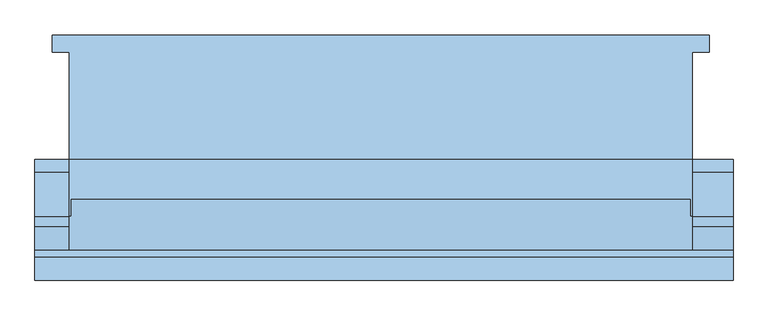
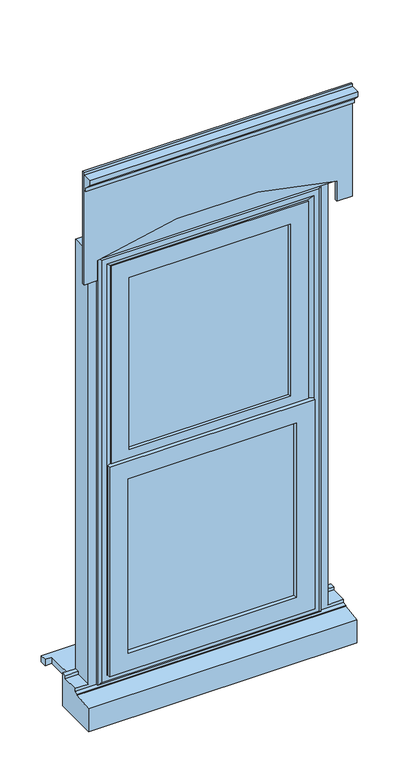
"""IFC4 building model written with IfcOpenShell, lengths in millimetres: window geometry."""

from ifc_helpers import new_model, si_unit, point, frame, frame_2d, origin, place, context, project, spatial, polyline, circle_curve, trimmed, segment, composite_curve, outline, extrude, faceted_brep, source, transform, mapped, element, save


def window_a612ad24(model_context):
    return source(origin(), model_context, "Body", "SolidModel", [
        extrude(outline(polyline([(-480.0, 161.5434322), (480.0, 161.5434322), (480.0, 136.5434322), (455.0, 136.5434322), (455.0, -20.4565678), (-455.0, -20.4565678), (-455.0, 136.5434322), (-480.0, 136.5434322), (-480.0, 161.5434322)])), frame((0.0, 0.0, 310.0), z_axis=(0.0, 0.0, 1.0), x_axis=(1.0, 0.0, 0.0)), (0.0, 0.0, 1.0), 25.0),
        faceted_brep([(-455.0, -20.4565678, 2110.0), (455.0, -20.4565678, 2110.0), (455.0, -20.4565678, 385.0), (515.0, -20.4565678, 385.0), (515.0, -20.4565678, 253.0), (-505.0, -20.4565678, 253.0), (-505.0, -20.4565678, 385.0), (-455.0, -20.4565678, 385.0), (-395.0, -20.4565678, 2050.0), (-395.0, -20.4565678, 385.0), (395.0, -20.4565678, 385.0), (395.0, -20.4565678, 2050.0), (-455.0, -38.4565678, 385.0), (-455.0, -38.4565678, 373.0), (-455.0, -103.4565678, 373.0), (-455.0, -103.4565678, 2110.0), (-505.0, -103.4565678, 373.0), (-505.0, -103.4565678, 361.0), (515.0, -103.4565678, 361.0), (515.0, -103.4565678, 373.0), (455.0, -103.4565678, 373.0), (455.0, -103.4565678, 2110.0), (-415.0, -103.4565678, 2070.0), (415.0, -103.4565678, 2070.0), (415.0, -103.4565678, 373.0), (-415.0, -103.4565678, 373.0), (-415.0, -38.4565678, 373.0), (-415.0, -38.4565678, 2070.0), (415.0, -38.4565678, 373.0), (415.0, -38.4565678, 2070.0), (-395.0, -38.4565678, 2050.0), (395.0, -38.4565678, 2050.0), (395.0, -38.4565678, 385.0), (-395.0, -38.4565678, 385.0), (-505.0, -38.4565678, 373.0), (-505.0, -38.4565678, 385.0), (515.0, -38.4565678, 385.0), (455.0, -38.4565678, 385.0), (455.0, -38.4565678, 373.0), (515.0, -38.4565678, 373.0), (515.0, -190.9565678, 253.0), (-505.0, -190.9565678, 253.0), (515.0, -190.9565678, 343.8088847), (-505.0, -190.9565678, 343.8088847), (515.0, -118.4565678, 354.7449676), (-505.0, -118.4565678, 354.7449676), (515.0, -118.4565678, 359.68767), (-505.0, -118.4565678, 359.68767)], [[[0, 1, 2, 3, 4, 5, 6, 7], [8, 9, 10, 11]], [[0, 7, 12, 13, 14, 15]], [[14, 16, 17, 18, 19, 20, 21, 15], [22, 23, 24, 25]], [[25, 26, 27, 22]], [[27, 26, 28, 29], [30, 31, 32, 33]], [[34, 13, 12, 35]], [[36, 37, 38, 39]], [[30, 33, 9, 8]], [[0, 15, 21, 1]], [[22, 27, 29, 23]], [[11, 31, 30, 8]], [[20, 38, 37, 2, 1, 21]], [[23, 29, 28, 24]], [[11, 10, 32, 31]], [[40, 41, 5, 4]], [[42, 43, 41, 40]], [[44, 45, 43, 42]], [[46, 47, 45, 44]], [[18, 17, 47, 46]], [[26, 25, 24, 28]], [[16, 14, 13, 34]], [[39, 38, 20, 19]], [[9, 33, 32, 10]], [[3, 2, 37, 36]], [[35, 12, 7, 6]], [[3, 36, 39, 19, 18, 46, 44, 42, 40, 4]], [[6, 5, 41, 43, 45, 47, 17, 16, 34, 35]]]),
        extrude(outline(polyline([(385.0, -67.4565678), (385.0, -91.4565678), (-385.0, -91.4565678), (-385.0, -67.4565678), (385.0, -67.4565678)])), frame((0.0, 0.0, 403.0), z_axis=(0.0, 0.0, 1.0), x_axis=(1.0, 0.0, 0.0)), (0.0, 0.0, 1.0), 1637.0),
        faceted_brep([(-425.0, -103.4565678, 2080.0), (-425.0, -103.4565678, 363.0), (-425.0, -111.7300705, 363.0), (-425.0, -111.7300705, 2080.0), (-415.0, -38.4565678, 2070.0), (-415.0, -38.4565678, 373.0), (-415.0, -103.4565678, 373.0), (-415.0, -103.4565678, 2070.0), (-375.0, -52.9494677, 2030.0), (-375.0, -52.9494677, 413.0), (-385.1480377, -38.4565678, 402.8519623), (-385.1480377, -38.4565678, 2040.1480377), (-375.0, -67.4565678, 2030.0), (-375.0, -67.4565678, 413.0), (-385.0, -91.4565678, 2040.0), (-385.0, -91.4565678, 403.0), (-385.0, -67.4565678, 403.0), (-385.0, -67.4565678, 2040.0), (-375.0, -109.2300705, 2030.0), (-375.0, -109.2300705, 413.0), (-375.0, -91.4565678, 413.0), (-375.0, -91.4565678, 2030.0), (-392.4457548, -120.0035732, 2047.4457548), (-392.4457548, -120.0035732, 395.5542452), (-414.2153903, -120.0035732, 373.7846097), (-414.2153903, -120.0035732, 2069.2153903), (425.0, -103.4565678, 363.0), (425.0, -111.7300705, 363.0), (415.0, -38.4565678, 373.0), (415.0, -103.4565678, 373.0), (375.0, -52.9494677, 413.0), (385.1480377, -38.4565678, 402.8519623), (375.0, -67.4565678, 413.0), (385.0, -91.4565678, 403.0), (385.0, -67.4565678, 403.0), (375.0, -109.2300705, 413.0), (375.0, -91.4565678, 413.0), (392.4457548, -120.0035732, 395.5542452), (414.2153903, -120.0035732, 373.7846097), (425.0, -103.4565678, 2080.0), (425.0, -111.7300705, 2080.0), (415.0, -38.4565678, 2070.0), (415.0, -103.4565678, 2070.0), (375.0, -52.9494677, 2030.0), (385.1480377, -38.4565678, 2040.1480377), (375.0, -67.4565678, 2030.0), (385.0, -91.4565678, 2040.0), (385.0, -67.4565678, 2040.0), (375.0, -109.2300705, 2030.0), (375.0, -91.4565678, 2030.0), (392.4457548, -120.0035732, 2047.4457548), (414.2153903, -120.0035732, 2069.2153903)], [[[0, 1, 2, 3]], [[4, 5, 6, 7]], [[8, 9, 10, 11]], [[12, 13, 9, 8]], [[14, 15, 16, 17]], [[18, 19, 20, 21]], [[22, 23, 19, 18]], [[3, 2, 24, 25]], [[1, 26, 27, 2]], [[5, 28, 29, 6]], [[9, 30, 31, 10]], [[13, 32, 30, 9]], [[15, 33, 34, 16]], [[19, 35, 36, 20]], [[23, 37, 35, 19]], [[2, 27, 38, 24]], [[26, 39, 40, 27]], [[28, 41, 42, 29]], [[30, 43, 44, 31]], [[32, 45, 43, 30]], [[33, 46, 47, 34]], [[35, 48, 49, 36]], [[37, 50, 48, 35]], [[27, 40, 51, 38]], [[39, 0, 3, 40]], [[1, 0, 39, 26], [7, 6, 29, 42]], [[41, 4, 7, 42]], [[5, 4, 41, 28], [11, 10, 31, 44]], [[43, 8, 11, 44]], [[45, 12, 8, 43]], [[17, 16, 34, 47], [13, 12, 45, 32]], [[46, 14, 17, 47]], [[15, 14, 46, 33], [21, 20, 36, 49]], [[48, 18, 21, 49]], [[50, 22, 18, 48]], [[25, 24, 38, 51], [23, 22, 50, 37]], [[40, 3, 25, 51]]]),
        extrude(outline(polyline([(1236.5, -390.0), (395.800695, -390.0), (395.800695, 390.0), (1236.5, 390.0), (1236.5, -390.0)]), holes=[polyline([(465.800695, -320.0), (1166.5, -320.0), (1166.5, 320.0), (465.800695, 320.0), (465.800695, -320.0)])]), frame((0.0, -130.9565678, 0.0), z_axis=(0.0, 1.0, 0.0), x_axis=(0.0, 0.0, 1.0)), (0.0, 0.0, 1.0), 15.9529946),
        extrude(outline(polyline([(-163.1390049, 2410.0), (-173.1390049, 2410.0), (-173.1390049, 2425.0), (-197.8877422, 2449.7487373), (-197.8877422, 2470.0), (-163.1390049, 2470.0), (-163.1390049, 2410.0)])), frame((-505.0, 0.0, 0.0), z_axis=(1.0, 0.0, 0.0), x_axis=(0.0, 1.0, 0.0)), (0.0, 0.0, 1.0), 1020.0),
        extrude(outline(composite_curve([segment(polyline([(2110.0, -455.0), (2110.0, 455.0)]), True, "CONTINUOUS"), segment(trimmed(circle_curve(frame_2d((680.6732354, 0.0)), 1500.0), [point((2110.0, 455.0))], [point((2110.0, -455.0))], False, "CARTESIAN"), True, "CONTINUOUS")], self_intersect=False)), frame((0.0, -159.6629421, 0.0), z_axis=(0.0, 1.0, 0.0), x_axis=(0.0, 0.0, 1.0)), (0.0, 0.0, 1.0), 80.3363325),
        extrude(outline(composite_curve([segment(polyline([(2030.0, 515.0), (2480.0, 515.0), (2480.0, -505.0), (2030.0, -505.0), (2030.0, -455.0), (2110.0, -455.0)]), True, "CONTINUOUS"), segment(trimmed(circle_curve(frame_2d((680.6732354, 0.0)), 1500.0), [point((2110.0, -455.0))], [point((2110.0, 455.0))], True, "CARTESIAN"), True, "CONTINUOUS"), segment(polyline([(2110.0, 455.0), (2030.0, 455.0), (2030.0, 515.0)]), True, "CONTINUOUS")], self_intersect=False)), frame((0.0, -163.1390049, 0.0), z_axis=(0.0, 1.0, 0.0), x_axis=(0.0, 0.0, 1.0)), (0.0, 0.0, 1.0), 9.682437),
        extrude(outline(polyline([(2030.0, -375.0), (1201.5, -375.0), (1201.5, 375.0), (2030.0, 375.0), (2030.0, -375.0)]), holes=[polyline([(1270.7960231, -305.7039769), (1960.7039769, -305.7039769), (1960.7039769, 305.7039769), (1270.7960231, 305.7039769), (1270.7960231, -305.7039769)])]), frame((0.0, -115.0035732, 0.0), z_axis=(0.0, 1.0, 0.0), x_axis=(0.0, 0.0, 1.0)), (0.0, 0.0, 1.0), 11.5470054),
    ])


if __name__ == "__main__":
    model = new_model("IFC4")
    model_context = context("Model", 3, world=origin())
    ifc_project = project(units=[si_unit("LENGTHUNIT", "METRE", prefix="MILLI")], contexts=[model_context])
    site = spatial("IfcSite", under=ifc_project)
    building = spatial("IfcBuilding", under=site)
    placement = place(None, origin())
    window_shape = window_a612ad24(model_context)
    element("IfcWindow", 1, at=placement, inside=building, context=model_context, shape_type="MappedRepresentation", body=[
        mapped(window_shape, transform((0.0, 0.0, 0.0), x_axis=(1.0, 0.0, 0.0), y_axis=(0.0, 1.0, 0.0), z_axis=(0.0, 0.0, 1.0))),
    ])
    save(model, "model.ifc")
